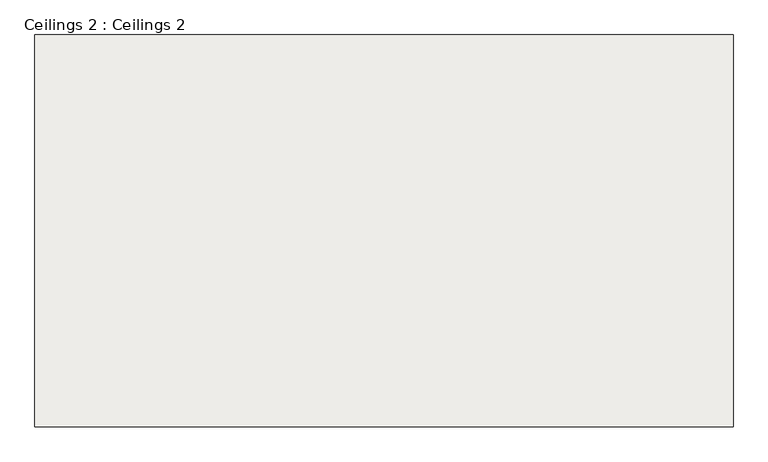
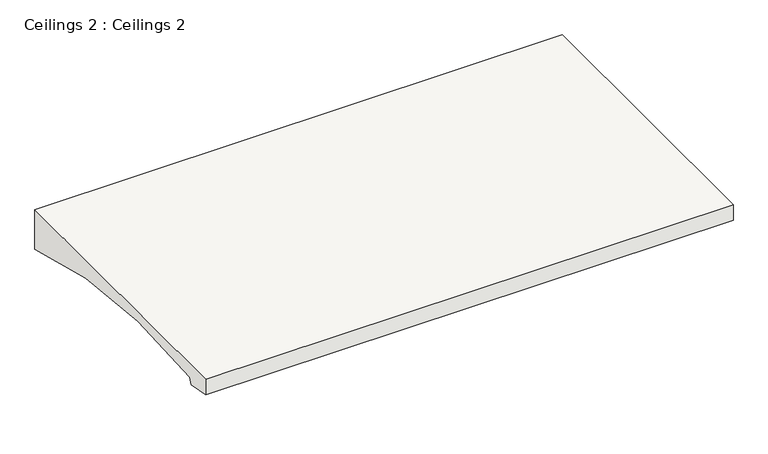
"""IFC4 building model written with IfcOpenShell, lengths in millimetres: covering geometry, Ceilings 2 : Ceilings 2."""

import ifcopenshell
import ifcopenshell.guid

model = None  # the IFC model being written
_history = None  # IfcOwnerHistory: only IFC2X3 demands one
_inside = {}  # id of a spatial element -> (the spatial element, [elements in it])
_under = {}  # id of a project, library or spatial element -> (it, [spatial elements below it])
_declared = {}  # id of a project -> (the project, [libraries it declares])
_typed = {}  # id of a type object -> (the type object, [elements of that type])
_made_of = {}  # id of a material, layer set ... -> (it, [elements and type objects made of it])


def new_model(schema):
    """Start an empty IFC model of exactly this schema.

    Asked for "IFC4X3", IfcOpenShell would pick the latest addendum, in which some entities
    have other attributes; the version numbers below select the first issue.
    IFC2X3 requires an IfcOwnerHistory on every rooted entity: one is made here for all.
    """
    global model, _history
    if schema == "IFC4X3":
        model = ifcopenshell.file(schema_version=(4, 3, 0, 0))
    else:
        model = ifcopenshell.file(schema=schema)
    _inside.clear()
    _under.clear()
    _declared.clear()
    _typed.clear()
    _made_of.clear()
    _history = None
    if model.schema == "IFC2X3":
        org = make("IfcOrganization", Name="unknown")
        user = make(
            "IfcPersonAndOrganization",
            ThePerson=make("IfcPerson", FamilyName="unknown"),
            TheOrganization=org,
        )
        app = make(
            "IfcApplication",
            ApplicationDeveloper=org,
            Version="unknown",
            ApplicationFullName="unknown",
            ApplicationIdentifier="unknown",
        )
        _history = make(
            "IfcOwnerHistory",
            OwningUser=user,
            OwningApplication=app,
            ChangeAction="ADDED",
            CreationDate=0,
        )
    return model


def make(cls, **values):
    """One entity of the class cls with the attributes given. An attribute that is None is left unset."""
    return model.create_entity(
        cls, **{name: value for name, value in values.items() if value is not None}
    )


def rooted(cls, **values):
    """An entity with a GlobalId (a new one), such as an element, a storey or a relation."""
    return make(cls, GlobalId=ifcopenshell.guid.new(), OwnerHistory=_history, **values)


def si_unit(unit_type, name, prefix=None):
    """IfcSIUnit, for example si_unit("LENGTHUNIT", "METRE", prefix="MILLI")."""
    return make("IfcSIUnit", UnitType=unit_type, Prefix=prefix, Name=name)


def assignment(units):
    """IfcUnitAssignment: the units of a project."""
    return None if units is None else make("IfcUnitAssignment", Units=units)


def point(xyz):
    """IfcCartesianPoint."""
    return None if xyz is None else make("IfcCartesianPoint", Coordinates=xyz)


def direction(xyz):
    """IfcDirection."""
    return None if xyz is None else make("IfcDirection", DirectionRatios=xyz)


def frame(location, z_axis=None, x_axis=None):
    """IfcAxis2Placement3D, a coordinate frame: its origin and axes. An axis left out is left unset."""
    return make(
        "IfcAxis2Placement3D",
        Location=point(location),
        Axis=direction(z_axis),
        RefDirection=direction(x_axis),
    )


def frame_2d(location, x_axis=None):
    """IfcAxis2Placement2D, a coordinate frame in the plane: its origin and x axis."""
    return make(
        "IfcAxis2Placement2D", Location=point(location), RefDirection=direction(x_axis)
    )


def origin():
    """The frame at (0, 0, 0) with its axes left unset."""
    return frame((0.0, 0.0, 0.0))


def place(relative_to, where):
    """IfcLocalPlacement: puts the frame where relative to a parent placement (None: the world)."""
    return make(
        "IfcLocalPlacement", PlacementRelTo=relative_to, RelativePlacement=where
    )


def context(
    kind, dimensions, precision=None, world=None, true_north=None, identifier=None
):
    """IfcGeometricRepresentationContext, for example the 3D "Model" context."""
    return make(
        "IfcGeometricRepresentationContext",
        ContextIdentifier=identifier,
        ContextType=kind,
        CoordinateSpaceDimension=dimensions,
        Precision=precision,
        WorldCoordinateSystem=world,
        TrueNorth=true_north,
    )


def project(units=None, contexts=None):
    """IfcProject with its units and contexts."""
    return rooted(
        "IfcProject",
        Name="project",
        RepresentationContexts=contexts,
        UnitsInContext=assignment(units),
    )


def spatial(cls, under=None, at=None, **own):
    """A site, building, storey or space (cls), placed at a placement, below another one or the project."""
    s = rooted(cls, ObjectPlacement=at, **own)
    if under is not None:
        _under.setdefault(under.id(), (under, []))[1].append(s)
    return s


def polyline(points):
    """IfcPolyline through the points."""
    return make("IfcPolyline", Points=[point(p) for p in points])


def circle_curve(where, radius):
    """IfcCircle in the frame where."""
    return make("IfcCircle", Position=where, Radius=radius)


def trimmed(basis, trim1, trim2, sense, master):
    """IfcTrimmedCurve: the piece of a basis curve between two trims."""
    return make(
        "IfcTrimmedCurve",
        BasisCurve=basis,
        Trim1=trim1,
        Trim2=trim2,
        SenseAgreement=sense,
        MasterRepresentation=master,
    )


def segment(curve, same_sense, transition):
    """IfcCompositeCurveSegment."""
    return make(
        "IfcCompositeCurveSegment",
        Transition=transition,
        SameSense=same_sense,
        ParentCurve=curve,
    )


def composite_curve(segments, self_intersect=None):
    """IfcCompositeCurve: segments joined end to end."""
    return make("IfcCompositeCurve", Segments=segments, SelfIntersect=self_intersect)


def outline(outer, holes=None, kind="AREA"):
    """IfcArbitraryClosedProfileDef: a profile drawn as a closed curve; with holes, ...WithVoids."""
    if holes is None:
        return make("IfcArbitraryClosedProfileDef", ProfileType=kind, OuterCurve=outer)
    return make(
        "IfcArbitraryProfileDefWithVoids",
        ProfileType=kind,
        OuterCurve=outer,
        InnerCurves=holes,
    )


def extrude(swept, where, along, depth):
    """IfcExtrudedAreaSolid: the profile swept, set in the frame where, extruded along a direction by depth."""
    return make(
        "IfcExtrudedAreaSolid",
        SweptArea=swept,
        Position=where,
        ExtrudedDirection=direction(along),
        Depth=depth,
    )


def shape(context_of_items, identifier, shape_type, items):
    """IfcShapeRepresentation: the items that make up one representation, for example the "Body"."""
    return make(
        "IfcShapeRepresentation",
        ContextOfItems=context_of_items,
        RepresentationIdentifier=identifier,
        RepresentationType=shape_type,
        Items=items,
    )


def source(mapping_origin, context_of_items, identifier, shape_type, items):
    """IfcRepresentationMap: a shape defined once, which mapped items show again and again."""
    return make(
        "IfcRepresentationMap",
        MappingOrigin=mapping_origin,
        MappedRepresentation=shape(context_of_items, identifier, shape_type, items),
    )


def transform(
    local_origin,
    x_axis=None,
    y_axis=None,
    z_axis=None,
    scale=None,
    scale2=None,
    scale3=None,
    uniform=True,
):
    """IfcCartesianTransformationOperator3D, or its non-uniform kind. x_axis, y_axis, z_axis: its Axis1, 2, 3."""
    if uniform:
        return make(
            "IfcCartesianTransformationOperator3D",
            Axis1=direction(x_axis),
            Axis2=direction(y_axis),
            LocalOrigin=point(local_origin),
            Scale=scale,
            Axis3=direction(z_axis),
        )
    return make(
        "IfcCartesianTransformationOperator3DnonUniform",
        Axis1=direction(x_axis),
        Axis2=direction(y_axis),
        LocalOrigin=point(local_origin),
        Scale=scale,
        Axis3=direction(z_axis),
        Scale2=scale2,
        Scale3=scale3,
    )


def mapped(mapping_source, mapping_target):
    """IfcMappedItem: shows the shape of a source again, moved by a transform."""
    return make(
        "IfcMappedItem", MappingSource=mapping_source, MappingTarget=mapping_target
    )


def made_of(thing, what):
    """Note that an element or type object is made of a material, layer set ...; save() writes the relation."""
    if what is not None:
        _made_of.setdefault(what.id(), (what, []))[1].append(thing)
    return thing


def element(
    cls,
    number,
    at=None,
    inside=None,
    cuts=None,
    type_object=None,
    material=None,
    context=None,
    identifier="Body",
    shape_type=None,
    held_by="IfcProductDefinitionShape",
    body=None,
    shapes=None,
    **own,
):
    """One element of the class cls, such as IfcWall. Its Tag is "e" and its number.

    at: its placement. inside: the storey or other place that contains it. cuts: it is an
    opening in that element (IfcRelVoidsElement). A single representation is given by context,
    identifier, shape_type and body (its items); several are given by shapes. held_by: the class
    of the entity that holds the representations. save() writes the other relations.
    """
    e = rooted(cls, Tag="e%d" % number, ObjectPlacement=at, **own)
    if body is not None:
        shapes = [shape(context, identifier, shape_type, body)]
    if shapes is not None:
        e.Representation = make(held_by, Representations=shapes)
    if inside is not None:
        _inside.setdefault(inside.id(), (inside, []))[1].append(e)
    if cuts is not None:
        rooted(
            "IfcRelVoidsElement", RelatingBuildingElement=cuts, RelatedOpeningElement=e
        )
    if type_object is not None:
        _typed.setdefault(type_object.id(), (type_object, []))[1].append(e)
    return made_of(e, material)


def aggregate(whole, parts):
    """IfcRelAggregates: a whole, such as a stair, and the parts it consists of."""
    return rooted("IfcRelAggregates", RelatingObject=whole, RelatedObjects=parts)


def save(model, path):
    """Write the relations noted so far, then the file.

    IfcRelAggregates (storeys below a building ...), IfcRelContainedInSpatialStructure (elements
    in a storey), IfcRelDefinesByType, IfcRelAssociatesMaterial and IfcRelDeclares: one each for
    every whole, place, type object, material and project.
    """
    for whole, parts in _under.values():
        aggregate(whole, parts)
    for where, things in _inside.values():
        rooted(
            "IfcRelContainedInSpatialStructure",
            RelatedElements=things,
            RelatingStructure=where,
        )
    for kind, things in _typed.values():
        rooted("IfcRelDefinesByType", RelatedObjects=things, RelatingType=kind)
    for what, things in _made_of.values():
        rooted("IfcRelAssociatesMaterial", RelatedObjects=things, RelatingMaterial=what)
    for by, libraries in _declared.values():
        rooted("IfcRelDeclares", RelatingContext=by, RelatedDefinitions=libraries)
    model.write(path)


def ceilings_2_ceilings_2_e8eb7cca(model_context):
    return source(origin(), model_context, "Body", "SweptSolid", [
        extrude(outline(composite_curve([segment(trimmed(circle_curve(frame_2d((40335.133514, -13331.8836623)), 2070.5540697), [point((41002.6320069, -11371.8734793))], [point((40076.0721497, -11277.6))], True, "CARTESIAN"), True, "CONTINUOUS"), segment(polyline([(40076.0721497, -11277.6), (40066.9093267, -11298.9655122), (39980.8221497, -11283.7860202), (39980.8221497, -11226.6360202), (41002.6320069, -11226.6360202), (41002.6320069, -11371.8734793)]), True, "CONTINUOUS")], self_intersect=False)), frame((-9190.5426789, 0.0, 0.0), z_axis=(1.0, 0.0, 0.0), x_axis=(0.0, 1.0, 0.0)), (0.0, 0.0, 1.0), 1820.5611073),
    ])


if __name__ == "__main__":
    model = new_model("IFC4")
    model_context = context("Model", 3, world=origin())
    ifc_project = project(units=[si_unit("LENGTHUNIT", "METRE", prefix="MILLI")], contexts=[model_context])
    site = spatial("IfcSite", under=ifc_project)
    building = spatial("IfcBuilding", under=site)
    placement = place(None, origin())
    ceilings_2_ceilings_2_shape = ceilings_2_ceilings_2_e8eb7cca(model_context)
    element("IfcCovering", 1, ObjectType="Ceilings 2 : Ceilings 2", at=placement, inside=building, context=model_context, shape_type="MappedRepresentation", body=[
        mapped(ceilings_2_ceilings_2_shape, transform((0.0, 0.0, 0.0), x_axis=(1.0, 0.0, 0.0), y_axis=(0.0, 1.0, 0.0), z_axis=(0.0, 0.0, 1.0))),
    ])
    save(model, "model.ifc")
